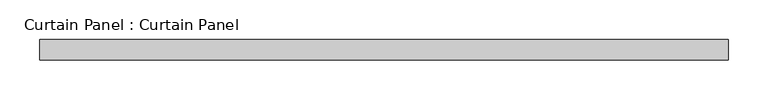
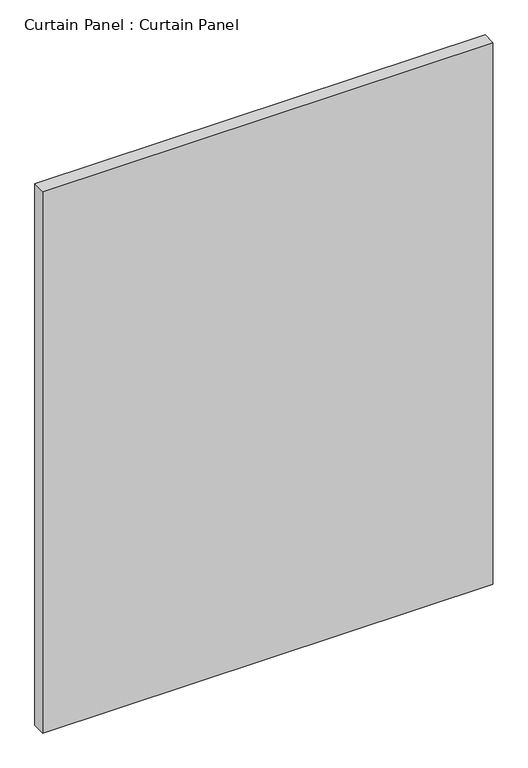
"""IFC4 building model written with IfcOpenShell, lengths in millimetres: plate geometry, Curtain Panel : Curtain Panel."""

from ifc_helpers import new_model, si_unit, frame, origin, place, context, project, spatial, polyline, outline, extrude, source, transform, mapped, element, save


def curtain_panel_curtain_panel_2ed6aff8(model_context):
    return source(origin(), model_context, "Body", "SweptSolid", [
        extrude(outline(polyline([(-39887.0695566, -1996.9602036), (-40750.6693241, -1996.9602036), (-40750.6693241, -1971.5602036), (-39887.0695566, -1971.5602036), (-39887.0695566, -1996.9602036)])), frame((0.0, 0.0, -622.8354492), z_axis=(0.0, 0.0, 1.0), x_axis=(1.0, 0.0, 0.0)), (0.0, 0.0, 1.0), 1098.2140306),
    ])


if __name__ == "__main__":
    model = new_model("IFC4")
    model_context = context("Model", 3, world=origin())
    ifc_project = project(units=[si_unit("LENGTHUNIT", "METRE", prefix="MILLI")], contexts=[model_context])
    site = spatial("IfcSite", under=ifc_project)
    building = spatial("IfcBuilding", under=site)
    placement = place(None, origin())
    curtain_panel_curtain_panel_shape = curtain_panel_curtain_panel_2ed6aff8(model_context)
    element("IfcPlate", 1, ObjectType="Curtain Panel : Curtain Panel", at=placement, inside=building, context=model_context, shape_type="MappedRepresentation", body=[
        mapped(curtain_panel_curtain_panel_shape, transform((0.0, 0.0, 0.0), x_axis=(1.0, 0.0, 0.0), y_axis=(0.0, 1.0, 0.0), z_axis=(0.0, 0.0, 1.0))),
    ])
    save(model, "model.ifc")
